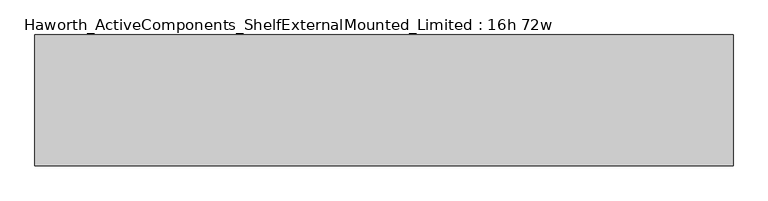
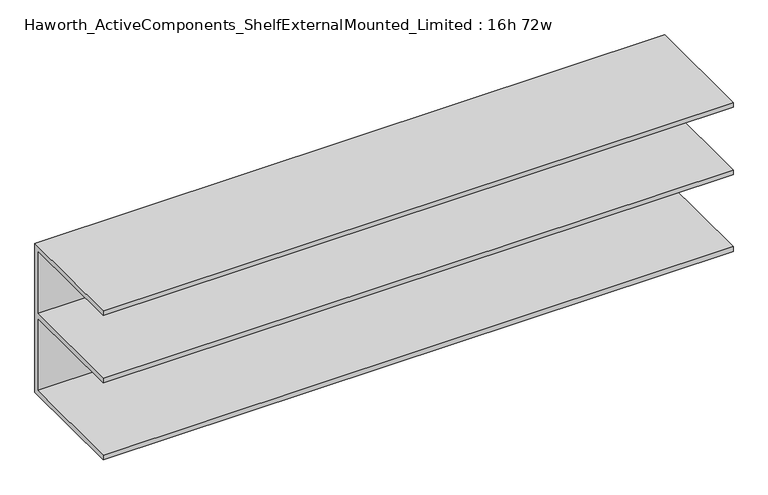
"""IFC4 building model written with IfcOpenShell, lengths in millimetres: furniture geometry, Haworth_ActiveComponents_ShelfExternalMounted_Limited : 16h 72w."""

from ifc_helpers import new_model, si_unit, frame, origin, place, context, project, spatial, polyline, outline, extrude, source, transform, mapped, element, save


def haworth_activecomponents_shelfexternalmounted_limited_16h_3c1ff794(model_context):
    return source(origin(), model_context, "Body", "SweptSolid", [
        extrude(outline(polyline([(-1110.3841932, 431.2564813), (-1338.9841932, 431.2564813), (-1338.9841932, 440.7814813), (-1119.9091932, 440.7814813), (-1119.9091932, 588.4189813), (-1338.9841932, 588.4189813), (-1338.9841932, 597.9439813), (-1119.9091932, 597.9439813), (-1119.9091932, 726.5314813), (-1338.9841932, 726.5314813), (-1338.9841932, 736.0564813), (-1110.3841932, 736.0564813), (-1110.3841932, 431.2564813)])), frame((-2260.546931, 0.0, 0.0), z_axis=(1.0, 0.0, 0.0), x_axis=(0.0, 1.0, 0.0)), (0.0, 0.0, 1.0), 1219.2),
    ])


if __name__ == "__main__":
    model = new_model("IFC4")
    model_context = context("Model", 3, world=origin())
    ifc_project = project(units=[si_unit("LENGTHUNIT", "METRE", prefix="MILLI")], contexts=[model_context])
    site = spatial("IfcSite", under=ifc_project)
    building = spatial("IfcBuilding", under=site)
    placement = place(None, origin())
    haworth_activecomponents_shelfexternalmounted_limited_16h_shape = haworth_activecomponents_shelfexternalmounted_limited_16h_3c1ff794(model_context)
    element("IfcFurniture", 1, ObjectType="Haworth_ActiveComponents_ShelfExternalMounted_Limited : 16h 72w", at=placement, inside=building, context=model_context, shape_type="MappedRepresentation", body=[
        mapped(haworth_activecomponents_shelfexternalmounted_limited_16h_shape, transform((0.0, 0.0, 0.0), x_axis=(1.0, 0.0, 0.0), y_axis=(0.0, 1.0, 0.0), z_axis=(0.0, 0.0, 1.0))),
    ])
    save(model, "model.ifc")
